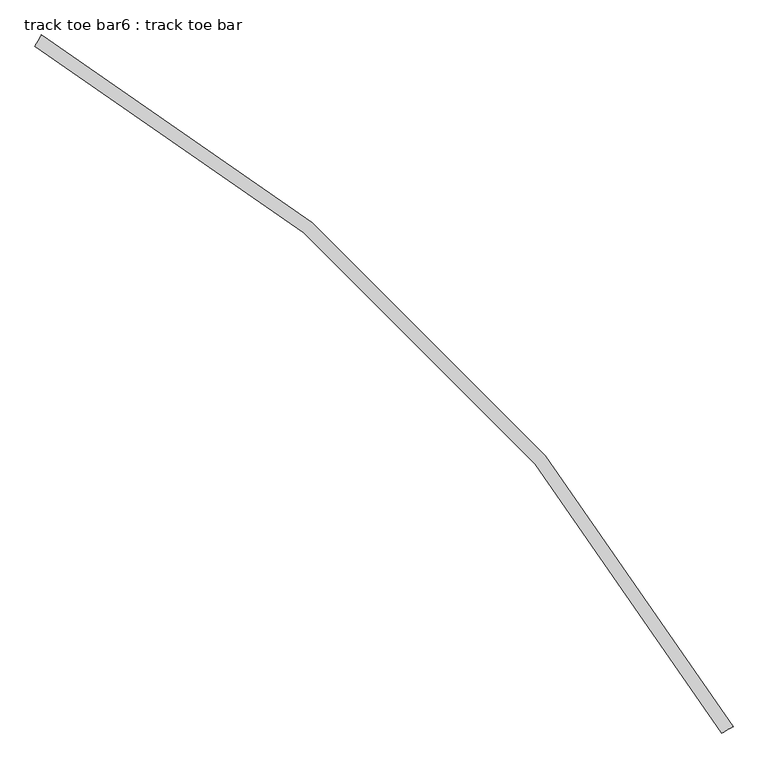
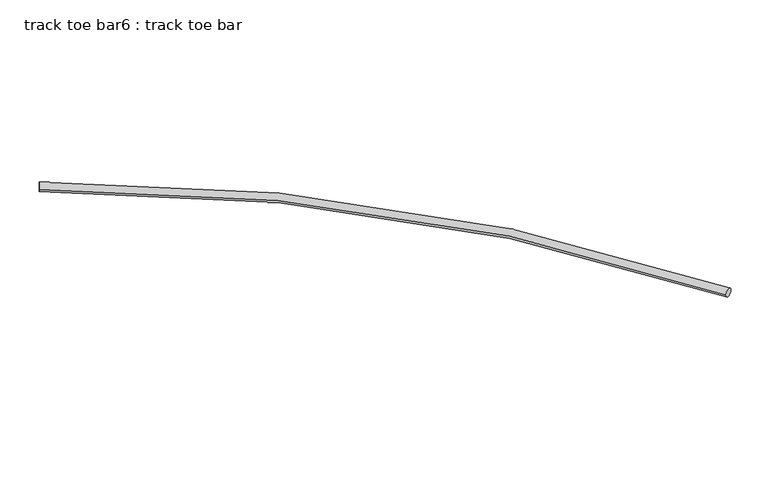
"""IFC4 building model written with IfcOpenShell, lengths in millimetres: proxy geometry, track toe bar6 : track toe bar."""

from ifc_helpers import new_model, si_unit, point, frame, origin, place, context, project, spatial, circle_curve, ellipse_curve, trimmed, source, transform, mapped, element, save
from ifc_brep_helpers import plane_surface, revolved_surface, advanced_brep


def track_toe_bar6_track_toe_bar_35816b0a(model_context):
    return source(origin(), model_context, "Body", "AdvancedBrep", [
        advanced_brep(
        [(755411.1977689, -254708.1429059, 4855.8150744), (755344.9385812, -254745.774808, 4855.8150744), (751408.1490102, -250705.0941472, 4855.8150744), (751370.5171081, -250771.3533348, 4855.8150744)],
        [
            (0, 1, circle_curve(frame((755378.0681751, -254726.9588569, 4855.8150744), z_axis=(0.493856982949602, -0.8695431446408605, 0.0), x_axis=(-0.8695431446408605, -0.493856982949602, 0.0)), 38.1)),
            (1, 0, circle_curve(frame((755378.0681751, -254726.9588569, 4855.8150744), z_axis=(0.493856982949602, -0.8695431446408605, 0.0), x_axis=(-0.8695431446408605, -0.493856982949602, 0.0)), 38.1)),
            (2, 3, circle_curve(frame((751389.3330591, -250738.223741, 4855.8150744), z_axis=(-0.8695431446408337, 0.49385698294964936, 0.0), x_axis=(-0.49385698294964936, -0.8695431446408337, 0.0)), 38.1)),
            (3, 2, circle_curve(frame((751389.3330591, -250738.223741, 4855.8150744), z_axis=(-0.8695431446408337, 0.49385698294964936, 0.0), x_axis=(-0.49385698294964936, -0.8695431446408337, 0.0)), 38.1)),
            (3, 1, circle_curve(frame((746145.9546997, -259970.3372163, 4855.8150744), z_axis=(0.0, 0.0, -1.0), x_axis=(0.8695431446408605, 0.493856982949602, 0.0)), 10579.1)),
            (0, 2, circle_curve(frame((746145.9546997, -259970.3372163, 4855.8150744), z_axis=(0.0, 0.0, 1.0), x_axis=(0.8695431446408605, 0.493856982949602, 0.0)), 10655.3)),
        ],
        [
            plane_surface(frame((755378.0681751, -254726.9588569, 4927.6), z_axis=(0.49385698294960206, -0.8695431446408606, 0.0), x_axis=(0.0, 0.0, 1.0))),
            plane_surface(frame((751389.3330591, -250738.223741, 4927.6), z_axis=(-0.8695431446408337, 0.4938569829496494, 0.0), x_axis=(0.0, 0.0, 1.0))),
            revolved_surface(trimmed(ellipse_curve(frame((755378.0681751, -254726.9588569, 4855.8150744), z_axis=(0.493856982949602, -0.8695431446408605, 0.0), x_axis=(-0.8695431446408605, -0.493856982949602, 0.0)), 38.1, 38.1), [point((755411.1977689, -254708.1429059, 4855.8150744))], [point((755344.9385812, -254745.774808, 4855.8150744))], True, "CARTESIAN"), (746145.9546997, -259970.3372163, 4927.6), (0.0, 0.0, 1.0)),
            revolved_surface(trimmed(ellipse_curve(frame((755378.0681751, -254726.9588569, 4855.8150744), z_axis=(0.493856982949602, -0.8695431446408605, 0.0), x_axis=(-0.8695431446408605, -0.493856982949602, 0.0)), 38.1, 38.1), [point((755344.9385812, -254745.774808, 4855.8150744))], [point((755411.1977689, -254708.1429059, 4855.8150744))], True, "CARTESIAN"), (746145.9546997, -259970.3372163, 4927.6), (0.0, 0.0, 1.0)),
        ],
        [
            (0, [[1, 2]]),
            (1, [[3, 4]]),
            (2, [[5, -1, 6, -4]]),
            (3, [[-6, -2, -5, -3]]),
        ],
    ),
    ])


if __name__ == "__main__":
    model = new_model("IFC4")
    model_context = context("Model", 3, world=origin())
    ifc_project = project(units=[si_unit("LENGTHUNIT", "METRE", prefix="MILLI")], contexts=[model_context])
    site = spatial("IfcSite", under=ifc_project)
    building = spatial("IfcBuilding", under=site)
    placement = place(None, origin())
    track_toe_bar6_track_toe_bar_shape = track_toe_bar6_track_toe_bar_35816b0a(model_context)
    element("IfcBuildingElementProxy", 1, Name="track toe bar6 : track toe bar", ObjectType="track toe bar6 : track toe bar", at=placement, inside=building, context=model_context, shape_type="MappedRepresentation", body=[
        mapped(track_toe_bar6_track_toe_bar_shape, transform((0.0, 0.0, 0.0), x_axis=(1.0, 0.0, 0.0), y_axis=(0.0, 1.0, 0.0), z_axis=(0.0, 0.0, 1.0))),
    ])
    save(model, "model.ifc")
